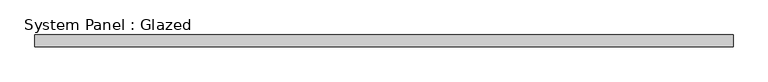
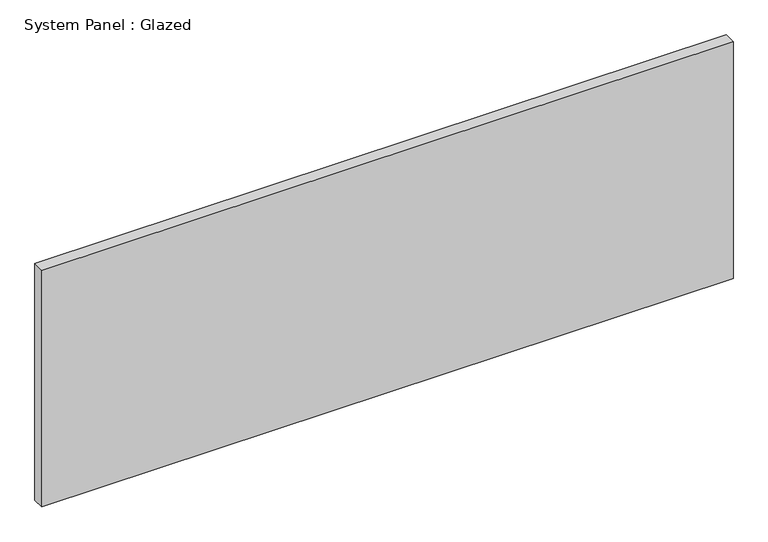
"""IFC4 building model written with IfcOpenShell, lengths in millimetres: plate geometry, System Panel : Glazed."""

from ifc_helpers import new_model, si_unit, origin, origin_with_axes, place, context, project, spatial, polyline, outline, extrude, source, transform, mapped, element, save


def system_panel_glazed_6093a08e(model_context):
    return source(origin(), model_context, "Body", "SweptSolid", [
        extrude(outline(polyline([(724.7903141, 24.5), (-724.7903141, 24.5), (-724.7903141, 49.5), (724.7903141, 49.5), (724.7903141, 24.5)])), origin_with_axes(), (0.0, 0.0, 1.0), 525.0),
    ])


if __name__ == "__main__":
    model = new_model("IFC4")
    model_context = context("Model", 3, world=origin())
    ifc_project = project(units=[si_unit("LENGTHUNIT", "METRE", prefix="MILLI")], contexts=[model_context])
    site = spatial("IfcSite", under=ifc_project)
    building = spatial("IfcBuilding", under=site)
    placement = place(None, origin())
    system_panel_glazed_shape = system_panel_glazed_6093a08e(model_context)
    element("IfcPlate", 1, ObjectType="System Panel : Glazed", at=placement, inside=building, context=model_context, shape_type="MappedRepresentation", body=[
        mapped(system_panel_glazed_shape, transform((0.0, 0.0, 0.0), x_axis=(1.0, 0.0, 0.0), y_axis=(0.0, 1.0, 0.0), z_axis=(0.0, 0.0, 1.0))),
    ])
    save(model, "model.ifc")
